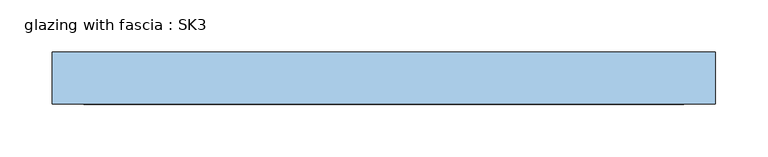
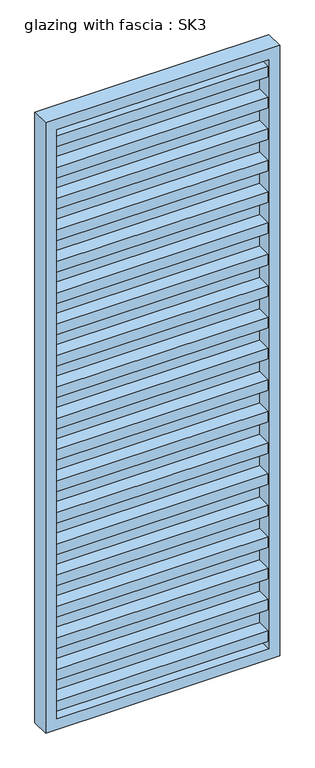
"""IFC4 building model written with IfcOpenShell, lengths in millimetres: window geometry, glazing with fascia : SK3."""

from ifc_helpers import new_model, si_unit, frame, origin, place, context, project, spatial, polyline, outline, extrude, source, transform, mapped, element, save


def glazing_with_fascia_sk3_176214bf(model_context):
    return source(origin(), model_context, "Body", "SweptSolid", [
        extrude(outline(polyline([(287.5, -0.1334055), (287.5, -8.1334055), (-287.5, -8.1334055), (-287.5, -0.1334055), (287.5, -0.1334055)])), frame((0.0, 0.0, 30.0), z_axis=(0.0, 0.0, 1.0), x_axis=(1.0, 0.0, 0.0)), (0.0, 0.0, 1.0), 1690.0),
        extrude(outline(polyline([(1750.0, -317.5), (0.0, -317.5), (0.0, 317.5), (1750.0, 317.5), (1750.0, -317.5)]), holes=[polyline([(1720.0, -287.5), (1720.0, 287.5), (30.0, 287.5), (30.0, -287.5), (1720.0, -287.5)])]), frame((0.0, -50.0, 0.0), z_axis=(0.0, 1.0, 0.0), x_axis=(0.0, 0.0, 1.0)), (0.0, 0.0, 1.0), 50.0),
        extrude(outline(polyline([(-287.5, -48.1334055), (-287.5, -8.1334055), (287.5, -8.1334055), (287.5, -48.1334055), (-287.5, -48.1334055)])), frame((0.0, 0.0, 1580.4), z_axis=(0.0, 0.0, 1.0), x_axis=(1.0, 0.0, 0.0)), (0.0, 0.0, 1.0), 30.0),
        extrude(outline(polyline([(-287.5, -48.1334055), (-287.5, -8.1334055), (287.5, -8.1334055), (287.5, -48.1334055), (-287.5, -48.1334055)])), frame((0.0, 0.0, 1490.4), z_axis=(0.0, 0.0, 1.0), x_axis=(1.0, 0.0, 0.0)), (0.0, 0.0, 1.0), 30.0),
        extrude(outline(polyline([(-287.5, -48.1334055), (-287.5, -8.1334055), (287.5, -8.1334055), (287.5, -48.1334055), (-287.5, -48.1334055)])), frame((0.0, 0.0, 1400.4), z_axis=(0.0, 0.0, 1.0), x_axis=(1.0, 0.0, 0.0)), (0.0, 0.0, 1.0), 30.0),
        extrude(outline(polyline([(-287.5, -48.1334055), (-287.5, -8.1334055), (287.5, -8.1334055), (287.5, -48.1334055), (-287.5, -48.1334055)])), frame((0.0, 0.0, 1310.4), z_axis=(0.0, 0.0, 1.0), x_axis=(1.0, 0.0, 0.0)), (0.0, 0.0, 1.0), 30.0),
        extrude(outline(polyline([(-287.5, -48.1334055), (-287.5, -8.1334055), (287.5, -8.1334055), (287.5, -48.1334055), (-287.5, -48.1334055)])), frame((0.0, 0.0, 1220.4), z_axis=(0.0, 0.0, 1.0), x_axis=(1.0, 0.0, 0.0)), (0.0, 0.0, 1.0), 30.0),
        extrude(outline(polyline([(-287.5, -48.1334055), (-287.5, -8.1334055), (287.5, -8.1334055), (287.5, -48.1334055), (-287.5, -48.1334055)])), frame((0.0, 0.0, 1130.4), z_axis=(0.0, 0.0, 1.0), x_axis=(1.0, 0.0, 0.0)), (0.0, 0.0, 1.0), 30.0),
        extrude(outline(polyline([(-287.5, -48.1334055), (-287.5, -8.1334055), (287.5, -8.1334055), (287.5, -48.1334055), (-287.5, -48.1334055)])), frame((0.0, 0.0, 1040.4), z_axis=(0.0, 0.0, 1.0), x_axis=(1.0, 0.0, 0.0)), (0.0, 0.0, 1.0), 30.0),
        extrude(outline(polyline([(-287.5, -48.1334055), (-287.5, -8.1334055), (287.5, -8.1334055), (287.5, -48.1334055), (-287.5, -48.1334055)])), frame((0.0, 0.0, 950.4), z_axis=(0.0, 0.0, 1.0), x_axis=(1.0, 0.0, 0.0)), (0.0, 0.0, 1.0), 30.0),
        extrude(outline(polyline([(-287.5, -48.1334055), (-287.5, -8.1334055), (287.5, -8.1334055), (287.5, -48.1334055), (-287.5, -48.1334055)])), frame((0.0, 0.0, 860.4), z_axis=(0.0, 0.0, 1.0), x_axis=(1.0, 0.0, 0.0)), (0.0, 0.0, 1.0), 30.0),
        extrude(outline(polyline([(-287.5, -48.1334055), (-287.5, -8.1334055), (287.5, -8.1334055), (287.5, -48.1334055), (-287.5, -48.1334055)])), frame((0.0, 0.0, 770.4), z_axis=(0.0, 0.0, 1.0), x_axis=(1.0, 0.0, 0.0)), (0.0, 0.0, 1.0), 30.0),
        extrude(outline(polyline([(-287.5, -48.1334055), (-287.5, -8.1334055), (287.5, -8.1334055), (287.5, -48.1334055), (-287.5, -48.1334055)])), frame((0.0, 0.0, 680.4), z_axis=(0.0, 0.0, 1.0), x_axis=(1.0, 0.0, 0.0)), (0.0, 0.0, 1.0), 30.0),
        extrude(outline(polyline([(-287.5, -48.1334055), (-287.5, -8.1334055), (287.5, -8.1334055), (287.5, -48.1334055), (-287.5, -48.1334055)])), frame((0.0, 0.0, 590.4), z_axis=(0.0, 0.0, 1.0), x_axis=(1.0, 0.0, 0.0)), (0.0, 0.0, 1.0), 30.0),
        extrude(outline(polyline([(-287.5, -48.1334055), (-287.5, -8.1334055), (287.5, -8.1334055), (287.5, -48.1334055), (-287.5, -48.1334055)])), frame((0.0, 0.0, 500.4), z_axis=(0.0, 0.0, 1.0), x_axis=(1.0, 0.0, 0.0)), (0.0, 0.0, 1.0), 30.0),
        extrude(outline(polyline([(-287.5, -48.1334055), (-287.5, -8.1334055), (287.5, -8.1334055), (287.5, -48.1334055), (-287.5, -48.1334055)])), frame((0.0, 0.0, 410.4), z_axis=(0.0, 0.0, 1.0), x_axis=(1.0, 0.0, 0.0)), (0.0, 0.0, 1.0), 30.0),
        extrude(outline(polyline([(-287.5, -48.1334055), (-287.5, -8.1334055), (287.5, -8.1334055), (287.5, -48.1334055), (-287.5, -48.1334055)])), frame((0.0, 0.0, 320.4), z_axis=(0.0, 0.0, 1.0), x_axis=(1.0, 0.0, 0.0)), (0.0, 0.0, 1.0), 30.0),
        extrude(outline(polyline([(-287.5, -48.1334055), (-287.5, -8.1334055), (287.5, -8.1334055), (287.5, -48.1334055), (-287.5, -48.1334055)])), frame((0.0, 0.0, 230.4), z_axis=(0.0, 0.0, 1.0), x_axis=(1.0, 0.0, 0.0)), (0.0, 0.0, 1.0), 30.0),
        extrude(outline(polyline([(-287.5, -48.1334055), (-287.5, -8.1334055), (287.5, -8.1334055), (287.5, -48.1334055), (-287.5, -48.1334055)])), frame((0.0, 0.0, 140.4), z_axis=(0.0, 0.0, 1.0), x_axis=(1.0, 0.0, 0.0)), (0.0, 0.0, 1.0), 30.0),
        extrude(outline(polyline([(-287.5, -48.1334055), (-287.5, -8.1334055), (287.5, -8.1334055), (287.5, -48.1334055), (-287.5, -48.1334055)])), frame((0.0, 0.0, 50.4), z_axis=(0.0, 0.0, 1.0), x_axis=(1.0, 0.0, 0.0)), (0.0, 0.0, 1.0), 30.0),
        extrude(outline(polyline([(-287.5, -48.1334055), (-287.5, -8.1334055), (287.5, -8.1334055), (287.5, -48.1334055), (-287.5, -48.1334055)])), frame((0.0, 0.0, 1670.0), z_axis=(0.0, 0.0, 1.0), x_axis=(1.0, 0.0, 0.0)), (0.0, 0.0, 1.0), 30.0),
    ])


if __name__ == "__main__":
    model = new_model("IFC4")
    model_context = context("Model", 3, world=origin())
    ifc_project = project(units=[si_unit("LENGTHUNIT", "METRE", prefix="MILLI")], contexts=[model_context])
    site = spatial("IfcSite", under=ifc_project)
    building = spatial("IfcBuilding", under=site)
    placement = place(None, origin())
    glazing_with_fascia_sk3_shape = glazing_with_fascia_sk3_176214bf(model_context)
    element("IfcWindow", 1, ObjectType="glazing with fascia : SK3", at=placement, inside=building, context=model_context, shape_type="MappedRepresentation", body=[
        mapped(glazing_with_fascia_sk3_shape, transform((0.0, 0.0, 0.0), x_axis=(1.0, 0.0, 0.0), y_axis=(0.0, 1.0, 0.0), z_axis=(0.0, 0.0, 1.0))),
    ])
    save(model, "model.ifc")
